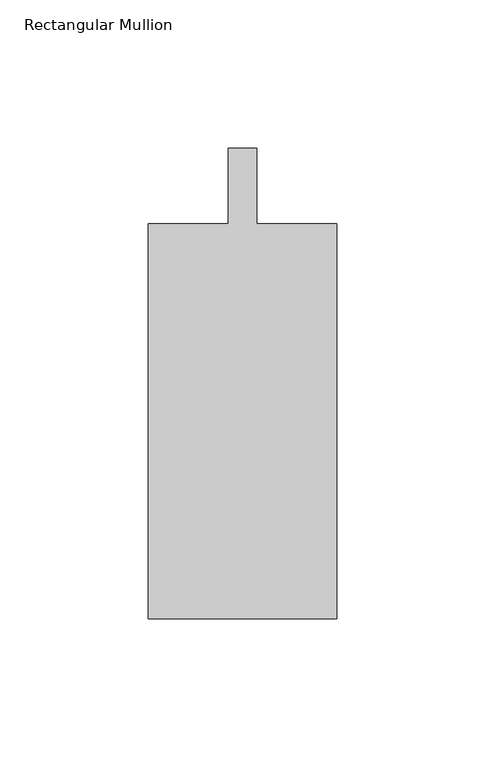
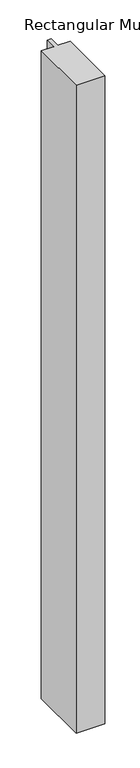
"""IFC4 building model written with IfcOpenShell, lengths in millimetres: member geometry, Rectangular Mullion."""

from ifc_helpers import new_model, si_unit, frame, origin, place, context, project, spatial, polyline, outline, extrude, source, transform, mapped, element, save


def rectangular_mullion_8b6a6628(model_context):
    return source(origin(), model_context, "Body", "SweptSolid", [
        extrude(outline(polyline([(-4.7625, -12.7), (-4.7625, 12.7), (4.7625, 12.7), (4.7625, -12.7), (31.75, -12.7), (31.75, -146.05), (-31.75, -146.05), (-31.75, -12.7), (-4.7625, -12.7)])), frame((0.0, 0.0, -1524.0), z_axis=(0.0, 0.0, 1.0), x_axis=(1.0, 0.0, 0.0)), (0.0, 0.0, 1.0), 1524.0),
    ])


if __name__ == "__main__":
    model = new_model("IFC4")
    model_context = context("Model", 3, world=origin())
    ifc_project = project(units=[si_unit("LENGTHUNIT", "METRE", prefix="MILLI")], contexts=[model_context])
    site = spatial("IfcSite", under=ifc_project)
    building = spatial("IfcBuilding", under=site)
    placement = place(None, origin())
    rectangular_mullion_shape = rectangular_mullion_8b6a6628(model_context)
    element("IfcMember", 1, ObjectType="Rectangular Mullion", at=placement, inside=building, context=model_context, shape_type="MappedRepresentation", body=[
        mapped(rectangular_mullion_shape, transform((0.0, 0.0, 0.0), x_axis=(1.0, 0.0, 0.0), y_axis=(0.0, 1.0, 0.0), z_axis=(0.0, 0.0, 1.0))),
    ])
    save(model, "model.ifc")
